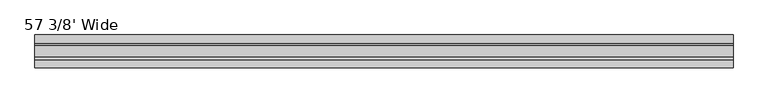
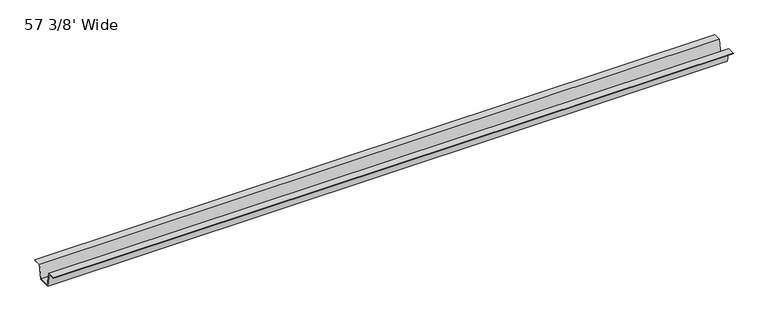
"""IFC4 building model written with IfcOpenShell, lengths in millimetres: furniture geometry, 57 3/8' Wide."""

from ifc_helpers import new_model, si_unit, frame, origin, place, context, project, spatial, polyline, outline, extrude, source, transform, mapped, element, save


def furniture_57_3_8_wide_fd551627(model_context):
    return source(origin(), model_context, "Body", "SweptSolid", [
        extrude(outline(polyline([(137.3862362, 690.626), (121.485835, 690.626), (115.9232385, 660.4000008), (90.5232355, 660.4000008), (84.960639, 690.626), (69.0602378, 690.626), (69.0602378, 692.15), (85.9714992, 692.15), (91.5808402, 661.6700008), (114.8656337, 661.6700008), (120.4749747, 692.15), (137.3862362, 692.15), (137.3862362, 690.626)])), frame((56.104992, 0.0, 0.0), z_axis=(1.0, 0.0, 0.0), x_axis=(0.0, 1.0, 0.0)), (0.0, 0.0, 1.0), 1457.325),
    ])


if __name__ == "__main__":
    model = new_model("IFC4")
    model_context = context("Model", 3, world=origin())
    ifc_project = project(units=[si_unit("LENGTHUNIT", "METRE", prefix="MILLI")], contexts=[model_context])
    site = spatial("IfcSite", under=ifc_project)
    building = spatial("IfcBuilding", under=site)
    placement = place(None, origin())
    furniture_57_3_8_wide_shape = furniture_57_3_8_wide_fd551627(model_context)
    element("IfcFurniture", 1, ObjectType="57 3/8' Wide", at=placement, inside=building, context=model_context, shape_type="MappedRepresentation", body=[
        mapped(furniture_57_3_8_wide_shape, transform((0.0, 0.0, 0.0), x_axis=(1.0, 0.0, 0.0), y_axis=(0.0, 1.0, 0.0), z_axis=(0.0, 0.0, 1.0))),
    ])
    save(model, "model.ifc")
